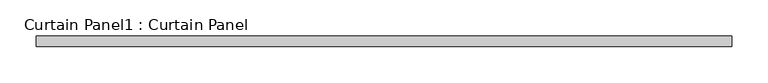
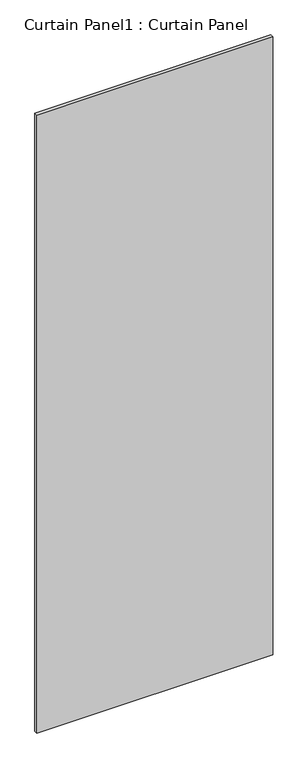
"""IFC4 building model written with IfcOpenShell, lengths in millimetres: plate geometry, Curtain Panel1 : Curtain Panel."""

from ifc_helpers import new_model, si_unit, frame, origin, place, context, project, spatial, polyline, outline, extrude, source, transform, mapped, element, save


def curtain_panel1_curtain_panel_52ff64fd(model_context):
    return source(origin(), model_context, "Body", "SweptSolid", [
        extrude(outline(polyline([(-77323.0818574, 951.0313826), (-78282.9550457, 951.0313826), (-78282.9550457, 965.3188826), (-77323.0818574, 965.3188826), (-77323.0818574, 951.0313826)])), frame((0.0, 0.0, 227.0318741), z_axis=(0.0, 0.0, 1.0), x_axis=(1.0, 0.0, 0.0)), (0.0, 0.0, 1.0), 2658.2077201),
    ])


if __name__ == "__main__":
    model = new_model("IFC4")
    model_context = context("Model", 3, world=origin())
    ifc_project = project(units=[si_unit("LENGTHUNIT", "METRE", prefix="MILLI")], contexts=[model_context])
    site = spatial("IfcSite", under=ifc_project)
    building = spatial("IfcBuilding", under=site)
    placement = place(None, origin())
    curtain_panel1_curtain_panel_shape = curtain_panel1_curtain_panel_52ff64fd(model_context)
    element("IfcPlate", 1, ObjectType="Curtain Panel1 : Curtain Panel", at=placement, inside=building, context=model_context, shape_type="MappedRepresentation", body=[
        mapped(curtain_panel1_curtain_panel_shape, transform((0.0, 0.0, 0.0), x_axis=(1.0, 0.0, 0.0), y_axis=(0.0, 1.0, 0.0), z_axis=(0.0, 0.0, 1.0))),
    ])
    save(model, "model.ifc")
